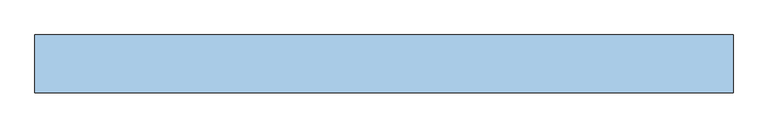
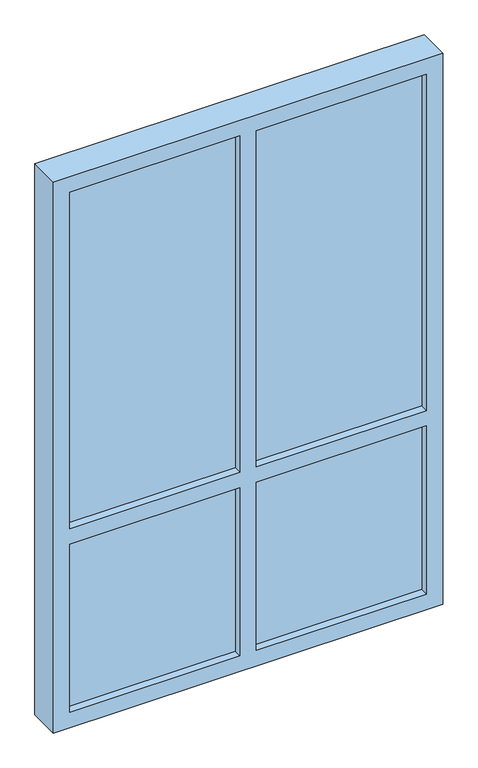
"""IFC4 building model written with IfcOpenShell, lengths in millimetres: window geometry."""

from ifc_helpers import new_model, si_unit, frame, origin, place, context, project, spatial, polyline, outline, extrude, source, transform, mapped, element, save


def window_0cc1345b(model_context):
    return source(origin(), model_context, "Body", "SweptSolid", [
        extrude(outline(polyline([(25.4, -24.6), (25.4, 0.8), (554.2, 0.8), (554.2, -24.6), (25.4, -24.6)])), frame((0.0, 0.0, 1568.6), z_axis=(0.0, 0.0, 1.0), x_axis=(1.0, 0.0, 0.0)), (0.0, 0.0, 1.0), 1105.0),
        extrude(outline(polyline([(-554.2, -24.6), (-554.2, 0.8), (-25.4, 0.8), (-25.4, -24.6), (-554.2, -24.6)])), frame((0.0, 0.0, 1568.6), z_axis=(0.0, 0.0, 1.0), x_axis=(1.0, 0.0, 0.0)), (0.0, 0.0, 1.0), 1105.0),
        extrude(outline(polyline([(25.4, -24.6), (25.4, 0.8), (554.2, 0.8), (554.2, -24.6), (25.4, -24.6)])), frame((0.0, 0.0, 965.2), z_axis=(0.0, 0.0, 1.0), x_axis=(1.0, 0.0, 0.0)), (0.0, 0.0, 1.0), 552.6),
        extrude(outline(polyline([(-554.2, -24.6), (-554.2, 0.8), (-25.4, 0.8), (-25.4, -24.6), (-554.2, -24.6)])), frame((0.0, 0.0, 965.2), z_axis=(0.0, 0.0, 1.0), x_axis=(1.0, 0.0, 0.0)), (0.0, 0.0, 1.0), 552.6),
        extrude(outline(polyline([(1546.8188144, 605.0), (2724.4, 605.0), (2724.4, -605.0), (914.4, -605.0), (914.4, 605.0), (1546.8188144, 605.0)]), holes=[polyline([(965.2, -554.2), (1517.8, -554.2), (1517.8, -25.4), (965.2, -25.4), (965.2, -554.2)]), polyline([(965.2, 25.4), (1517.8, 25.4), (1517.8, 554.2), (965.2, 554.2), (965.2, 25.4)]), polyline([(1568.6, -554.2), (2673.6, -554.2), (2673.6, -25.4), (1568.6, -25.4), (1568.6, -554.2)]), polyline([(1568.6, 554.2), (1568.6, 25.4), (2673.6, 25.4), (2673.6, 554.2), (1568.6, 554.2)])]), frame((0.0, -50.0, 0.0), z_axis=(0.0, 1.0, 0.0), x_axis=(0.0, 0.0, 1.0)), (0.0, 0.0, 1.0), 100.0),
    ])


if __name__ == "__main__":
    model = new_model("IFC4")
    model_context = context("Model", 3, world=origin())
    ifc_project = project(units=[si_unit("LENGTHUNIT", "METRE", prefix="MILLI")], contexts=[model_context])
    site = spatial("IfcSite", under=ifc_project)
    building = spatial("IfcBuilding", under=site)
    placement = place(None, origin())
    window_shape = window_0cc1345b(model_context)
    element("IfcWindow", 1, at=placement, inside=building, context=model_context, shape_type="MappedRepresentation", body=[
        mapped(window_shape, transform((0.0, 0.0, 0.0), x_axis=(1.0, 0.0, 0.0), y_axis=(0.0, 1.0, 0.0), z_axis=(0.0, 0.0, 1.0))),
    ])
    save(model, "model.ifc")
